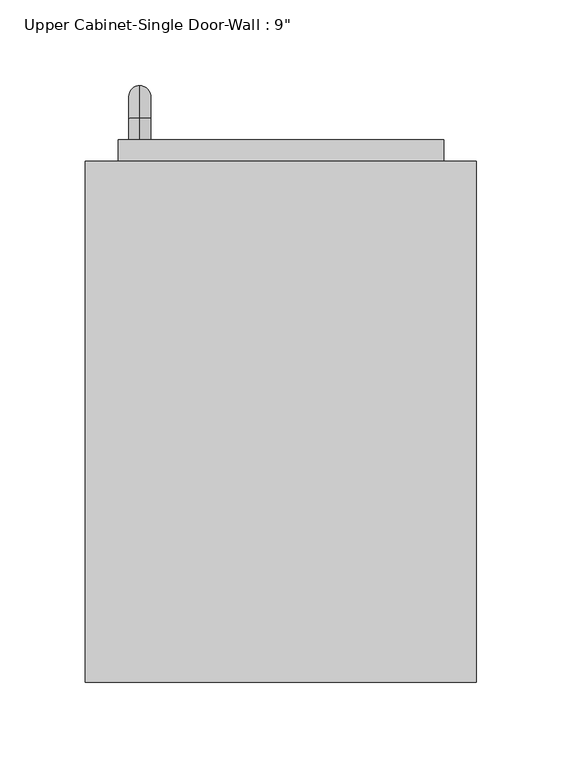
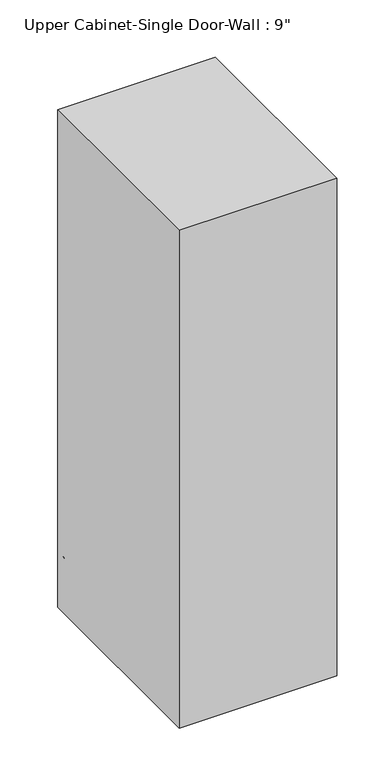
"""IFC4 building model written with IfcOpenShell, lengths in millimetres: furniture geometry."""

from ifc_helpers import new_model, si_unit, point, frame, origin, place, context, project, spatial, polyline, circle_curve, ellipse_curve, trimmed, outline, extrude, faceted_brep, source, transform, mapped, element, save
from ifc_brep_helpers import plane_surface, cylinder_surface, revolved_surface, advanced_brep


def furniture_ec003719(model_context):
    return source(origin(), model_context, "Body", "SolidModel", [
        faceted_brep([(-84.5288372, 69.85, 2133.6), (-84.5288372, 69.85, 1371.6), (144.0711628, 69.85, 1371.6), (144.0711628, 69.85, 2133.6), (-84.5288372, 374.65, 2133.6), (144.0711628, 374.65, 2133.6), (144.0711628, 374.65, 1371.6), (-84.5288372, 374.65, 1371.6), (-65.4788372, 374.65, 2114.55), (-65.4788372, 374.65, 1390.65), (125.0211628, 374.65, 1390.65), (125.0211628, 374.65, 2114.55), (125.0211628, 88.9, 2114.55), (-65.4788372, 88.9, 2114.55), (125.0211628, 88.9, 1390.65), (-65.4788372, 88.9, 1390.65)], [[[0, 1, 2, 3]], [[4, 5, 6, 7], [8, 9, 10, 11]], [[1, 0, 4, 7]], [[2, 1, 7, 6]], [[3, 2, 6, 5]], [[0, 3, 5, 4]], [[8, 11, 12, 13]], [[11, 10, 14, 12]], [[10, 9, 15, 14]], [[9, 8, 13, 15]], [[13, 12, 14, 15]]]),
        advanced_brep(
        [(-52.7788372, 387.35, 1517.65), (-52.7788372, 387.35, 1530.35), (-52.7788372, 400.05, 1517.65), (-52.7788372, 400.05, 1530.35), (-52.7788372, 419.1, 1511.3), (-52.7788372, 406.4, 1511.3), (-52.7788372, 406.4, 1435.1), (-52.7788372, 419.1, 1435.1), (-52.7788372, 400.05, 1416.05), (-52.7788372, 400.05, 1428.75), (-52.7788372, 387.35, 1428.75), (-52.7788372, 387.35, 1416.05)],
        [
            (0, 1, circle_curve(frame((-52.7788372, 387.35, 1524.0), z_axis=(0.0, -1.0, 0.0), x_axis=(0.0, 0.0, 1.0)), 6.35)),
            (1, 0, circle_curve(frame((-52.7788372, 387.35, 1524.0), z_axis=(0.0, -1.0, 0.0), x_axis=(0.0, 0.0, 1.0)), 6.35)),
            (0, 2),
            (2, 3, circle_curve(frame((-52.7788372, 400.05, 1524.0), z_axis=(0.0, -1.0, 0.0), x_axis=(0.0, 0.0, 1.0)), 6.35)),
            (3, 1),
            (3, 2, circle_curve(frame((-52.7788372, 400.05, 1524.0), z_axis=(0.0, -1.0, 0.0), x_axis=(0.0, 0.0, 1.0)), 6.35)),
            (4, 3, circle_curve(frame((-52.7788372, 400.05, 1511.3), z_axis=(1.0, 0.0, 0.0), x_axis=(0.0, 0.0, 1.0)), 19.05)),
            (2, 5, circle_curve(frame((-52.7788372, 400.05, 1511.3), z_axis=(-1.0, 0.0, 0.0), x_axis=(0.0, 0.0, 1.0)), 6.35)),
            (5, 4, circle_curve(frame((-52.7788372, 412.75, 1511.3), z_axis=(0.0, 0.0, 1.0), x_axis=(0.0, 1.0, 0.0)), 6.35)),
            (4, 5, circle_curve(frame((-52.7788372, 412.75, 1511.3), z_axis=(0.0, 0.0, 1.0), x_axis=(0.0, 1.0, 0.0)), 6.35)),
            (5, 6),
            (6, 7, circle_curve(frame((-52.7788372, 412.75, 1435.1), z_axis=(0.0, 0.0, 1.0), x_axis=(0.0, 1.0, 0.0)), 6.35)),
            (7, 4),
            (7, 6, circle_curve(frame((-52.7788372, 412.75, 1435.1), z_axis=(0.0, 0.0, 1.0), x_axis=(0.0, 1.0, 0.0)), 6.35)),
            (8, 7, circle_curve(frame((-52.7788372, 400.05, 1435.1), z_axis=(1.0, 0.0, 0.0), x_axis=(0.0, 1.0, 0.0)), 19.05)),
            (6, 9, circle_curve(frame((-52.7788372, 400.05, 1435.1), z_axis=(-1.0, 0.0, 0.0), x_axis=(0.0, 1.0, 0.0)), 6.35)),
            (9, 8, circle_curve(frame((-52.7788372, 400.05, 1422.4), z_axis=(0.0, 1.0, 0.0), x_axis=(0.0, 0.0, -1.0)), 6.35)),
            (8, 9, circle_curve(frame((-52.7788372, 400.05, 1422.4), z_axis=(0.0, 1.0, 0.0), x_axis=(0.0, 0.0, -1.0)), 6.35)),
            (10, 11, circle_curve(frame((-52.7788372, 387.35, 1422.4), z_axis=(0.0, -1.0, 0.0), x_axis=(0.0, 0.0, -1.0)), 6.35)),
            (11, 10, circle_curve(frame((-52.7788372, 387.35, 1422.4), z_axis=(0.0, -1.0, 0.0), x_axis=(0.0, 0.0, -1.0)), 6.35)),
            (9, 10),
            (11, 8),
        ],
        [
            plane_surface(frame((-59.1288372, 387.35, 1524.0), z_axis=(0.0, -1.0, 0.0), x_axis=(0.0, 0.0, 1.0))),
            cylinder_surface(frame((-52.7788372, 387.35, 1524.0), z_axis=(0.0, -1.0, 0.0), x_axis=(0.0, 0.0, 1.0)), 6.35),
            revolved_surface(trimmed(ellipse_curve(frame((-52.7788372, 400.05, 1524.0), z_axis=(0.0, -1.0, 0.0), x_axis=(0.0, 0.0, 1.0)), 6.35, 6.35), [point((-52.7788372, 400.05, 1517.65))], [point((-52.7788372, 400.05, 1530.35))], True, "CARTESIAN"), (-52.7788372, 400.05, 1511.3), (-1.0, 0.0, 0.0)),
            revolved_surface(trimmed(ellipse_curve(frame((-52.7788372, 400.05, 1524.0), z_axis=(0.0, -1.0, 0.0), x_axis=(0.0, 0.0, 1.0)), 6.35, 6.35), [point((-52.7788372, 400.05, 1530.35))], [point((-52.7788372, 400.05, 1517.65))], True, "CARTESIAN"), (-52.7788372, 400.05, 1511.3), (-1.0, 0.0, 0.0)),
            cylinder_surface(frame((-52.7788372, 412.75, 1511.3), z_axis=(0.0, 0.0, 1.0), x_axis=(0.0, 1.0, 0.0)), 6.35),
            revolved_surface(trimmed(ellipse_curve(frame((-52.7788372, 412.75, 1435.1), z_axis=(0.0, 0.0, 1.0), x_axis=(0.0, 1.0, 0.0)), 6.35, 6.35), [point((-52.7788372, 406.4, 1435.1))], [point((-52.7788372, 419.1, 1435.1))], True, "CARTESIAN"), (-52.7788372, 400.05, 1435.1), (-1.0, 0.0, 0.0)),
            revolved_surface(trimmed(ellipse_curve(frame((-52.7788372, 412.75, 1435.1), z_axis=(0.0, 0.0, 1.0), x_axis=(0.0, 1.0, 0.0)), 6.35, 6.35), [point((-52.7788372, 419.1, 1435.1))], [point((-52.7788372, 406.4, 1435.1))], True, "CARTESIAN"), (-52.7788372, 400.05, 1435.1), (-1.0, 0.0, 0.0)),
            plane_surface(frame((-59.1288372, 387.35, 1422.4), z_axis=(0.0, -1.0, 0.0), x_axis=(0.0, 0.0, -1.0))),
            cylinder_surface(frame((-52.7788372, 400.05, 1422.4), z_axis=(0.0, 1.0, 0.0), x_axis=(0.0, 0.0, -1.0)), 6.35),
        ],
        [
            (0, [[1, 2]]),
            (1, [[-1, 3, 4, 5]]),
            (1, [[-2, -5, 6, -3]]),
            (2, [[7, -4, 8, 9]]),
            (3, [[-8, -6, -7, 10]]),
            (4, [[-9, 11, 12, 13]]),
            (4, [[-10, -13, 14, -11]]),
            (5, [[15, -12, 16, 17]]),
            (6, [[-16, -14, -15, 18]]),
            (7, [[19, 20]]),
            (8, [[-17, 21, -20, 22]]),
            (8, [[-18, -22, -19, -21]]),
        ],
    ),
        extrude(outline(polyline([(-65.4788372, 387.35), (125.0211628, 387.35), (125.0211628, 355.6), (-65.4788372, 355.6), (-65.4788372, 387.35)])), frame((0.0, 0.0, 1390.65), z_axis=(0.0, 0.0, 1.0), x_axis=(1.0, 0.0, 0.0)), (0.0, 0.0, 1.0), 723.9),
    ])


if __name__ == "__main__":
    model = new_model("IFC4")
    model_context = context("Model", 3, world=origin())
    ifc_project = project(units=[si_unit("LENGTHUNIT", "METRE", prefix="MILLI")], contexts=[model_context])
    site = spatial("IfcSite", under=ifc_project)
    building = spatial("IfcBuilding", under=site)
    placement = place(None, origin())
    furniture_shape = furniture_ec003719(model_context)
    element("IfcFurniture", 1, ObjectType="Upper Cabinet-Single Door-Wall : 9\"", at=placement, inside=building, context=model_context, shape_type="MappedRepresentation", body=[
        mapped(furniture_shape, transform((0.0, 0.0, 0.0), x_axis=(1.0, 0.0, 0.0), y_axis=(0.0, 1.0, 0.0), z_axis=(0.0, 0.0, 1.0))),
    ])
    save(model, "model.ifc")
